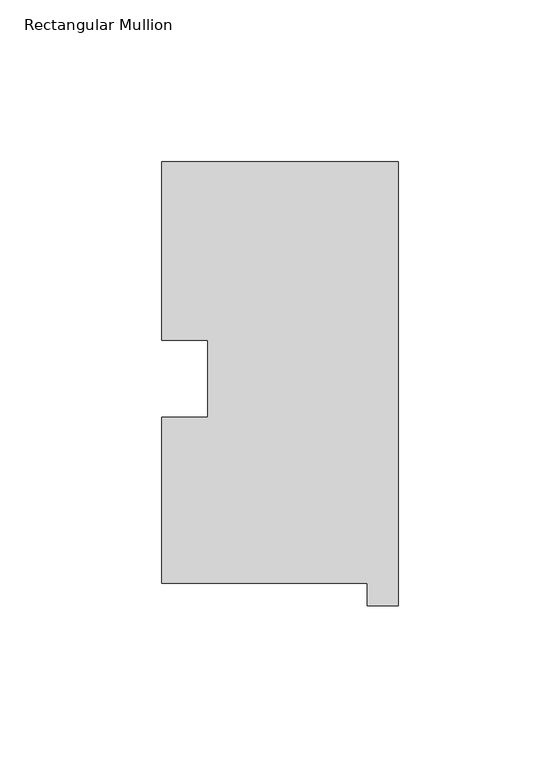
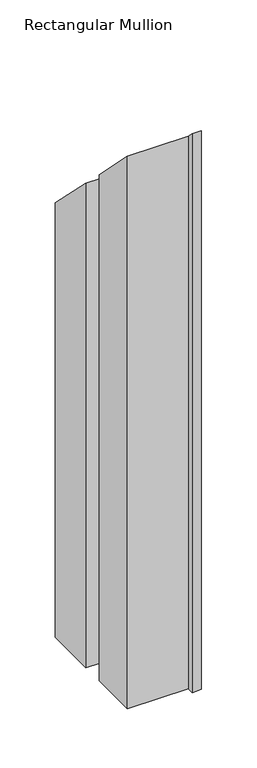
"""IFC4 building model written with IfcOpenShell, lengths in millimetres: member geometry, Rectangular Mullion."""

from ifc_helpers import new_model, si_unit, origin, place, context, project, spatial, faceted_brep, source, transform, mapped, element, save


def rectangular_mullion_b7f2988c(model_context):
    return source(origin(), model_context, "Body", "Brep", [
        faceted_brep([(-73.025, 130.56235, -609.6), (0.0, 130.56235, -609.6), (0.0, -6.64845, -609.6), (-9.525, -6.64845, -609.6), (-9.525, 0.26035, -609.6), (-73.025, 0.26035, -609.6), (-73.025, 51.60645, -609.6), (-58.785125, 51.60645, -609.6), (-58.785125, 75.40625, -609.6), (-73.025, 75.40625, -609.6), (-73.025, 75.40625, -75.40625), (-73.025, 130.56235, -130.56235), (-58.785125, 75.40625, -75.40625), (-58.785125, 51.60645, -51.60645), (-73.025, 51.60645, -51.60645), (-73.025, 0.26035, -0.26035), (-9.525, 0.26035, -0.26035), (-9.525, -6.64845, 6.64845), (0.0, -6.64845, 6.64845), (0.0, 130.56235, -130.56235)], [[[0, 1, 2, 3, 4, 5, 6, 7, 8, 9]], [[10, 11, 0, 9]], [[12, 10, 9, 8]], [[13, 12, 8, 7]], [[14, 13, 7, 6]], [[15, 14, 6, 5]], [[16, 15, 5, 4]], [[17, 16, 4, 3]], [[18, 17, 3, 2]], [[19, 18, 2, 1]], [[11, 19, 1, 0]], [[11, 10, 12, 13, 14, 15, 16, 17, 18, 19]]]),
    ])


if __name__ == "__main__":
    model = new_model("IFC4")
    model_context = context("Model", 3, world=origin())
    ifc_project = project(units=[si_unit("LENGTHUNIT", "METRE", prefix="MILLI")], contexts=[model_context])
    site = spatial("IfcSite", under=ifc_project)
    building = spatial("IfcBuilding", under=site)
    placement = place(None, origin())
    rectangular_mullion_shape = rectangular_mullion_b7f2988c(model_context)
    element("IfcMember", 1, ObjectType="Rectangular Mullion", at=placement, inside=building, context=model_context, shape_type="MappedRepresentation", body=[
        mapped(rectangular_mullion_shape, transform((0.0, 0.0, 0.0), x_axis=(1.0, 0.0, 0.0), y_axis=(0.0, 1.0, 0.0), z_axis=(0.0, 0.0, 1.0))),
    ])
    save(model, "model.ifc")
